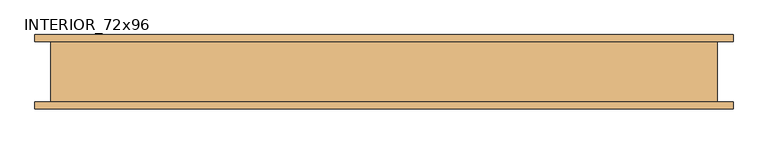
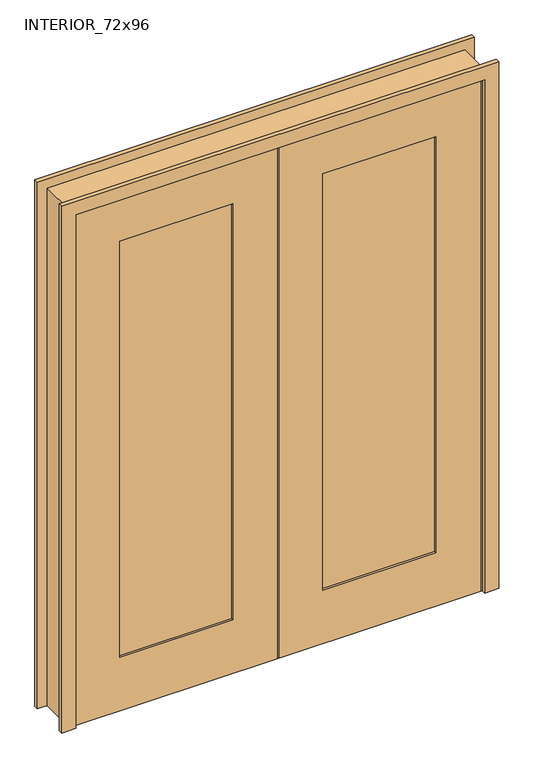
"""IFC4 building model written with IfcOpenShell, lengths in millimetres: door geometry, INTERIOR_72x96."""

from ifc_helpers import new_model, si_unit, frame, origin, place, context, project, spatial, polyline, outline, extrude, faceted_brep, source, transform, mapped, element, save


def interior_72x96_6e79964b(model_context):
    return source(origin(), model_context, "Body", "SolidModel", [
        extrude(outline(polyline([(2438.4, 914.4), (2438.4, 3.175), (0.0, 3.175), (0.0, 914.4), (2438.4, 914.4)]), holes=[polyline([(2235.2, 203.2), (2235.2, 711.2), (254.0, 711.2), (254.0, 203.2), (2235.2, 203.2)])]), frame((0.0, -82.55, 0.0), z_axis=(0.0, 1.0, 0.0), x_axis=(0.0, 0.0, 1.0)), (0.0, 0.0, 1.0), 44.45),
        extrude(outline(polyline([(0.0, -914.4), (0.0, -3.175), (2438.4, -3.175), (2438.4, -914.4), (0.0, -914.4)]), holes=[polyline([(254.0, -203.2), (254.0, -711.2), (2235.2, -711.2), (2235.2, -203.2), (254.0, -203.2)])]), frame((0.0, -82.55, 0.0), z_axis=(0.0, 1.0, 0.0), x_axis=(0.0, 0.0, 1.0)), (0.0, 0.0, 1.0), 44.45),
        extrude(outline(polyline([(203.2, -73.025), (203.2, -47.625), (711.2, -47.625), (711.2, -73.025), (203.2, -73.025)])), frame((0.0, 0.0, 254.0), z_axis=(0.0, 0.0, 1.0), x_axis=(1.0, 0.0, 0.0)), (0.0, 0.0, 1.0), 1981.2),
        extrude(outline(polyline([(-711.2, -73.025), (-711.2, -47.625), (-203.2, -47.625), (-203.2, -73.025), (-711.2, -73.025)])), frame((0.0, 0.0, 254.0), z_axis=(0.0, 0.0, 1.0), x_axis=(1.0, 0.0, 0.0)), (0.0, 0.0, 1.0), 1981.2),
        faceted_brep([(939.8, -82.55, 0.0), (914.4, -82.55, 0.0), (914.4, -38.1, 0.0), (901.7, -38.1, 0.0), (901.7, -3.175, 0.0), (914.4, -3.175, 0.0), (914.4, 88.9, 0.0), (939.8, 88.9, 0.0), (939.8, 88.9, 2463.8), (939.8, -82.55, 2463.8), (914.4, 88.9, 2438.4), (-914.4, 88.9, 2438.4), (-914.4, 88.9, 0.0), (-939.8, 88.9, 0.0), (-939.8, 88.9, 2463.8), (914.4, -3.175, 2438.4), (901.7, -3.175, 2425.7), (-901.7, -3.175, 2425.7), (-901.7, -3.175, 0.0), (-914.4, -3.175, 0.0), (-914.4, -3.175, 2438.4), (901.7, -38.1, 2425.7), (914.4, -38.1, 2438.4), (-914.4, -38.1, 2438.4), (-914.4, -38.1, 0.0), (-901.7, -38.1, 0.0), (-901.7, -38.1, 2425.7), (914.4, -82.55, 2438.4), (-939.8, -82.55, 2463.8), (-939.8, -82.55, 0.0), (-914.4, -82.55, 0.0), (-914.4, -82.55, 2438.4)], [[[0, 1, 2, 3, 4, 5, 6, 7]], [[7, 8, 9, 0]], [[6, 10, 11, 12, 13, 14, 8, 7]], [[5, 15, 10, 6]], [[4, 16, 17, 18, 19, 20, 15, 5]], [[3, 21, 16, 4]], [[2, 22, 23, 24, 25, 26, 21, 3]], [[1, 27, 22, 2]], [[0, 9, 28, 29, 30, 31, 27, 1]], [[8, 14, 28, 9]], [[15, 20, 11, 10]], [[21, 26, 17, 16]], [[27, 31, 23, 22]], [[29, 13, 12, 19, 18, 25, 24, 30]], [[14, 13, 29, 28]], [[20, 19, 12, 11]], [[26, 25, 18, 17]], [[31, 30, 24, 23]]]),
        extrude(outline(polyline([(0.0, 984.25), (2508.25, 984.25), (2508.25, -984.25), (0.0, -984.25), (0.0, -920.75), (2444.75, -920.75), (2444.75, 920.75), (0.0, 920.75), (0.0, 984.25)])), frame((0.0, 88.9, 0.0), z_axis=(0.0, 1.0, 0.0), x_axis=(0.0, 0.0, 1.0)), (0.0, 0.0, 1.0), 19.05),
        extrude(outline(polyline([(0.0, 984.25), (2508.25, 984.25), (2508.25, -984.25), (0.0, -984.25), (0.0, -920.75), (2444.75, -920.75), (2444.75, 920.75), (0.0, 920.75), (0.0, 984.25)])), frame((0.0, -101.6, 0.0), z_axis=(0.0, 1.0, 0.0), x_axis=(0.0, 0.0, 1.0)), (0.0, 0.0, 1.0), 19.05),
    ])


if __name__ == "__main__":
    model = new_model("IFC4")
    model_context = context("Model", 3, world=origin())
    ifc_project = project(units=[si_unit("LENGTHUNIT", "METRE", prefix="MILLI")], contexts=[model_context])
    site = spatial("IfcSite", under=ifc_project)
    building = spatial("IfcBuilding", under=site)
    placement = place(None, origin())
    interior_72x96_shape = interior_72x96_6e79964b(model_context)
    element("IfcDoor", 1, ObjectType="INTERIOR_72x96", at=placement, inside=building, context=model_context, shape_type="MappedRepresentation", body=[
        mapped(interior_72x96_shape, transform((0.0, 0.0, 0.0), x_axis=(1.0, 0.0, 0.0), y_axis=(0.0, 1.0, 0.0), z_axis=(0.0, 0.0, 1.0))),
    ])
    save(model, "model.ifc")
